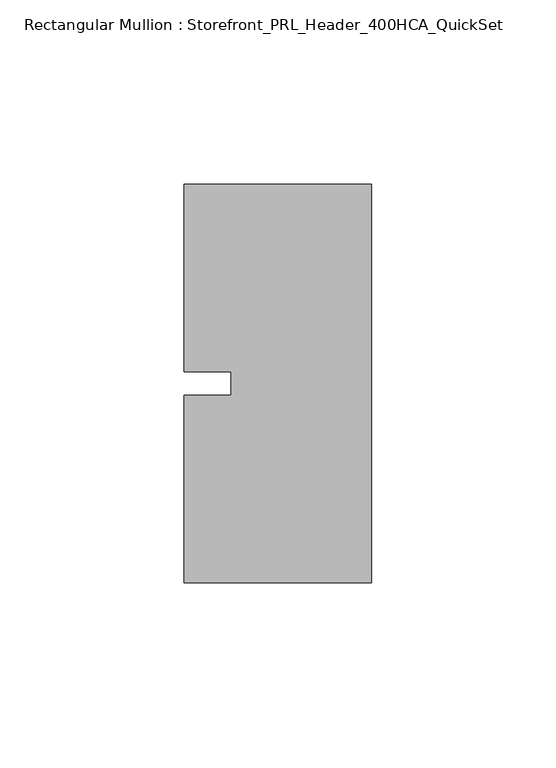
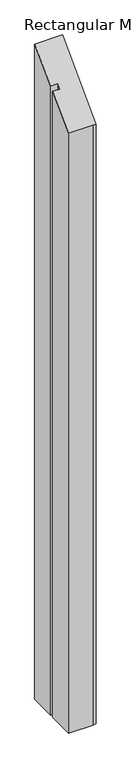
"""IFC4 building model written with IfcOpenShell, lengths in millimetres: member geometry, Rectangular Mullion : Storefront_PRL_Header_400HCA_QuickSet."""

from ifc_helpers import new_model, si_unit, origin, place, context, project, spatial, faceted_brep, source, transform, mapped, element, save


def rectangular_mullion_storefront_prl_header_400hca_quickset_dee2183a(model_context):
    return source(origin(), model_context, "Body", "Brep", [
        faceted_brep([(-38.1, -3.175, -1219.2), (-38.1, 3.175, -1219.2), (-50.8, 3.175, -1219.2), (-50.8, 53.975, -1219.2), (-7.7254924, 53.975, -1219.2), (0.0, 53.975, -1219.2), (0.0, -53.975, -1219.2), (-6.35, -53.975, -1219.2), (-50.8, -53.975, -1219.2), (-50.8, -3.175, -1219.2), (-50.8, -3.175, -3.175), (-38.1, -3.175, -3.175), (-50.8, -53.975, -53.975), (-6.35, -53.975, -53.975), (0.0, -53.975, -53.975), (0.0, 53.975, 53.975), (-7.7254924, 53.975, 53.975), (-50.8, 53.975, 53.975), (-50.8, 3.175, 3.175), (-38.1, 3.175, 3.175)], [[[0, 1, 2, 3, 4, 5, 6, 7, 8, 9]], [[10, 11, 0, 9]], [[12, 10, 9, 8]], [[13, 12, 8, 7]], [[14, 13, 7, 6]], [[15, 14, 6, 5]], [[16, 15, 5, 4]], [[17, 16, 4, 3]], [[18, 17, 3, 2]], [[19, 18, 2, 1]], [[11, 19, 1, 0]], [[11, 10, 12, 13, 14, 15, 16, 17, 18, 19]]]),
    ])


if __name__ == "__main__":
    model = new_model("IFC4")
    model_context = context("Model", 3, world=origin())
    ifc_project = project(units=[si_unit("LENGTHUNIT", "METRE", prefix="MILLI")], contexts=[model_context])
    site = spatial("IfcSite", under=ifc_project)
    building = spatial("IfcBuilding", under=site)
    placement = place(None, origin())
    rectangular_mullion_storefront_prl_header_400hca_quickset_shape = rectangular_mullion_storefront_prl_header_400hca_quickset_dee2183a(model_context)
    element("IfcMember", 1, ObjectType="Rectangular Mullion : Storefront_PRL_Header_400HCA_QuickSet", at=placement, inside=building, context=model_context, shape_type="MappedRepresentation", body=[
        mapped(rectangular_mullion_storefront_prl_header_400hca_quickset_shape, transform((0.0, 0.0, 0.0), x_axis=(1.0, 0.0, 0.0), y_axis=(0.0, 1.0, 0.0), z_axis=(0.0, 0.0, 1.0))),
    ])
    save(model, "model.ifc")
